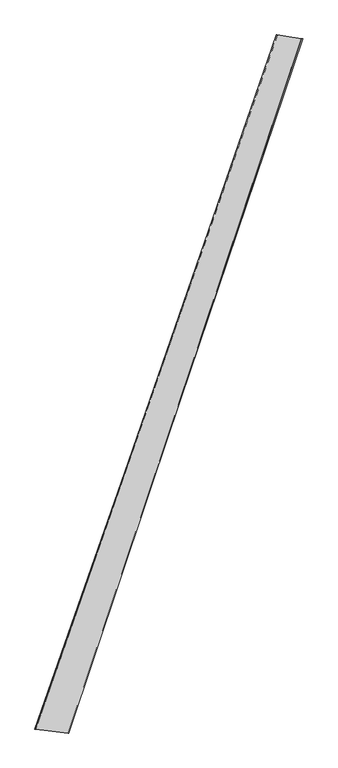
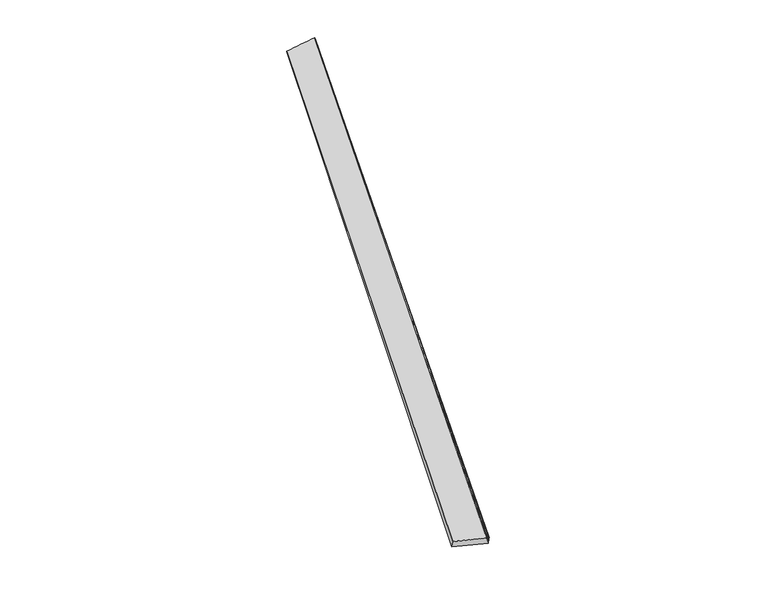
"""IFC4 building model written with IfcOpenShell, lengths in millimetres: proxy geometry."""

from ifc_helpers import new_model, si_unit, origin, place, context, project, spatial, source, transform, mapped, element, save
from ifc_brep_helpers import spline_surface, advanced_brep


def generic_models_3b2dbb0d(model_context):
    return source(origin(), model_context, "Body", "AdvancedBrep", [
        advanced_brep(
        [(-685.1198608, -1735.6369806, 15.8233212), (-679.8130476, -1737.2214232, 45.3076776), (665.9998558, 2139.034881, 7.7348667), (674.5065592, 2135.7765995, -20.848688), (-497.4706724, -1758.1744972, 13.7940303), (804.4232711, 2118.7229672, 49.6875214), (-501.7821903, -1756.4304673, -15.8432633), (812.3954919, 2116.2908484, 20.8686301)],
        [
            (0, 1),
            (1, 2),
            (2, 3),
            (3, 0),
            (1, 4),
            (4, 5),
            (5, 2),
            (4, 6),
            (6, 7),
            (7, 5),
            (6, 0),
            (3, 7),
        ],
        [
            spline_surface(1, 1, [[(-685.1198608, -1735.6369806, 15.8233212), (674.5065592, 2135.7765995, -20.848688)], [(-679.8130476, -1737.2214232, 45.3076776), (665.9998558, 2139.034881, 7.7348667)]], [2, 2], [2, 2], [0.0, 1.0], [0.0, 1.0]),
            spline_surface(1, 1, [[(-679.8130476, -1737.2214232, 45.3076776), (665.9998558, 2139.034881, 7.7348667)], [(-497.4706724, -1758.1744972, 13.7940303), (804.4232711, 2118.7229672, 49.6875214)]], [2, 2], [2, 2], [0.0, 1.0], [0.0, 1.0]),
            spline_surface(1, 1, [[(-497.4706724, -1758.1744972, 13.7940303), (804.4232711, 2118.7229672, 49.6875214)], [(-501.7821903, -1756.4304673, -15.8432633), (812.3954919, 2116.2908484, 20.8686301)]], [2, 2], [2, 2], [0.0, 1.0], [0.0, 1.0]),
            spline_surface(1, 1, [[(-501.7821903, -1756.4304673, -15.8432633), (812.3954919, 2116.2908484, 20.8686301)], [(-685.1198608, -1735.6369806, 15.8233212), (674.5065592, 2135.7765995, -20.848688)]], [2, 2], [2, 2], [0.0, 1.0], [0.0, 1.0]),
            spline_surface(1, 1, [[(665.9998558, 2139.034881, 7.7348667), (674.5065592, 2135.7765995, -20.848688)], [(804.4232711, 2118.7229672, 49.6875214), (812.3954919, 2116.2908484, 20.8686301)]], [2, 2], [2, 2], [0.0, 1.0], [0.0, 1.0]),
            spline_surface(1, 1, [[(-501.7821903, -1756.4304673, -15.8432633), (-685.1198608, -1735.6369806, 15.8233212)], [(-497.4706724, -1758.1744972, 13.7940303), (-679.8130476, -1737.2214232, 45.3076776)]], [2, 2], [2, 2], [0.0, 1.0], [0.0, 1.0]),
        ],
        [
            (0, [[1, 2, 3, 4]]),
            (1, [[5, 6, 7, -2]]),
            (2, [[8, 9, 10, -6]]),
            (3, [[11, -4, 12, -9]]),
            (4, [[-3, -7, -10, -12]]),
            (5, [[-11, -8, -5, -1]]),
        ],
    ),
    ])


if __name__ == "__main__":
    model = new_model("IFC4")
    model_context = context("Model", 3, world=origin())
    ifc_project = project(units=[si_unit("LENGTHUNIT", "METRE", prefix="MILLI")], contexts=[model_context])
    site = spatial("IfcSite", under=ifc_project)
    building = spatial("IfcBuilding", under=site)
    placement = place(None, origin())
    generic_models_shape = generic_models_3b2dbb0d(model_context)
    element("IfcBuildingElementProxy", 1, Name="Generic Models", at=placement, inside=building, context=model_context, shape_type="MappedRepresentation", body=[
        mapped(generic_models_shape, transform((0.0, 0.0, 0.0), x_axis=(1.0, 0.0, 0.0), y_axis=(0.0, 1.0, 0.0), z_axis=(0.0, 0.0, 1.0))),
    ])
    save(model, "model.ifc")
